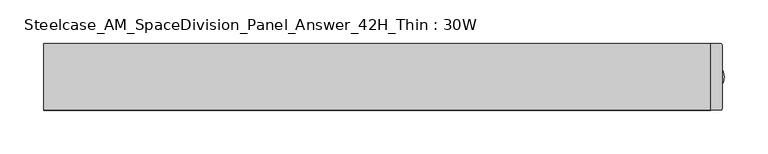
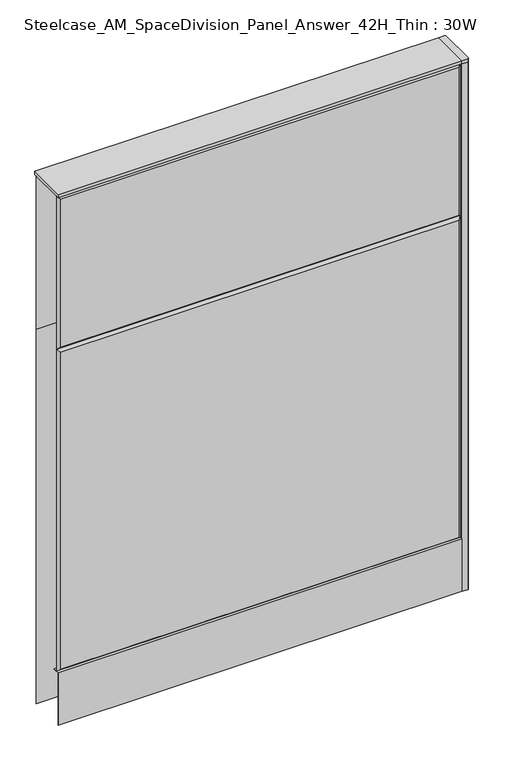
"""IFC4 building model written with IfcOpenShell, lengths in millimetres: furniture geometry, Steelcase_AM_SpaceDivision_Panel_Answer_42H_Thin : 30W."""

from ifc_helpers import new_model, si_unit, point, frame, frame_2d, origin, place, context, project, spatial, polyline, circle_curve, trimmed, segment, composite_curve, outline, extrude, faceted_brep, source, transform, mapped, element, save


def steelcase_am_spacedivision_panel_answer_42h_thin_30w_5a2b9232(model_context):
    return source(origin(), model_context, "Body", "SolidModel", [
        extrude(outline(polyline([(-37.3075215, 119.8575157), (-37.3075215, 15.494), (-38.1000194, 15.494), (-38.1000194, 120.65), (-25.4000011, 120.65), (-25.4000011, 119.8575157), (-37.3075215, 119.8575157)])), frame((-381.0, 0.0, 0.0), z_axis=(1.0, 0.0, 0.0), x_axis=(0.0, 1.0, 0.0)), (0.0, 0.0, 1.0), 762.0),
        extrude(outline(composite_curve([segment(trimmed(circle_curve(frame_2d((381.0, -1.94e-05)), 5.08), [point((386.08, -1.94e-05))], [point((375.92, -1.94e-05))], False, "CARTESIAN"), True, "CONTINUOUS"), segment(trimmed(circle_curve(frame_2d((381.0, -1.94e-05)), 5.08), [point((375.92, -1.94e-05))], [point((386.08, -1.94e-05))], False, "CARTESIAN"), True, "CONTINUOUS")], self_intersect=False)), frame((0.0, 0.0, 5.0799671), z_axis=(0.0, 0.0, 1.0), x_axis=(1.0, 0.0, 0.0)), (0.0, 0.0, 1.0), 10.414),
        extrude(outline(composite_curve([segment(trimmed(circle_curve(frame_2d((381.0, -1.94e-05)), 15.24), [point((396.24, -1.94e-05))], [point((365.76, -1.94e-05))], False, "CARTESIAN"), True, "CONTINUOUS"), segment(trimmed(circle_curve(frame_2d((381.0, -1.94e-05)), 15.24), [point((365.76, -1.94e-05))], [point((396.24, -1.94e-05))], False, "CARTESIAN"), True, "CONTINUOUS")], self_intersect=False)), frame((0.0, 0.0, -3.29e-05), z_axis=(0.0, 0.0, 1.0), x_axis=(1.0, 0.0, 0.0)), (0.0, 0.0, 1.0), 5.08),
        extrude(outline(composite_curve([segment(polyline([(393.7, 36.322), (393.7, -36.322)]), True, "CONTINUOUS"), segment(trimmed(circle_curve(frame_2d((391.922, -36.322)), 1.778), [point((393.7, -36.322))], [point((391.922, -38.1))], False, "CARTESIAN"), True, "CONTINUOUS"), segment(polyline([(391.922, -38.1), (381.0, -38.1), (381.0, 38.1), (391.922, 38.1)]), True, "CONTINUOUS"), segment(trimmed(circle_curve(frame_2d((391.922, 36.322)), 1.778), [point((391.922, 38.1))], [point((393.7, 36.322))], False, "CARTESIAN"), True, "CONTINUOUS")], self_intersect=False)), frame((0.0, 0.0, 1066.7999671), z_axis=(0.0, 0.0, 1.0), x_axis=(1.0, 0.0, 0.0)), (0.0, 0.0, 1.0), 6.35),
        extrude(outline(composite_curve([segment(polyline([(393.7, 36.322), (393.7, -36.322)]), True, "CONTINUOUS"), segment(trimmed(circle_curve(frame_2d((391.922, -36.322)), 1.778), [point((393.7, -36.322))], [point((391.922, -38.1))], False, "CARTESIAN"), True, "CONTINUOUS"), segment(polyline([(391.922, -38.1), (381.0, -38.1), (381.0, 38.1), (391.922, 38.1)]), True, "CONTINUOUS"), segment(trimmed(circle_curve(frame_2d((391.922, 36.322)), 1.778), [point((391.922, 38.1))], [point((393.7, 36.322))], False, "CARTESIAN"), True, "CONTINUOUS")], self_intersect=False)), frame((0.0, 0.0, 15.4939671), z_axis=(0.0, 0.0, 1.0), x_axis=(1.0, 0.0, 0.0)), (0.0, 0.0, 1.0), 1051.306),
        faceted_brep([(-376.174, 38.0960541, 1061.974), (376.174, 38.0960541, 1061.974), (376.174, 38.0960541, 766.826), (-376.174, 38.0960541, 766.826), (-381.0, 33.2700541, 1066.8), (-381.0, 33.2700541, 762.0), (381.0, 33.2700541, 762.0), (381.0, 33.2700541, 1066.8)], [[[0, 1, 2, 3]], [[4, 5, 6, 7]], [[4, 7, 1, 0]], [[7, 6, 2, 1]], [[6, 5, 3, 2]], [[5, 4, 0, 3]]]),
        faceted_brep([(-376.174, 38.0960541, 757.174), (376.174, 38.0960541, 757.174), (376.174, 38.0960541, 20.32), (-376.174, 38.0960541, 20.32), (-381.0, 33.2700541, 762.0), (-381.0, 33.2700541, 15.494), (381.0, 33.2700541, 15.494), (381.0, 33.2700541, 762.0)], [[[0, 1, 2, 3]], [[4, 5, 6, 7]], [[4, 7, 1, 0]], [[7, 6, 2, 1]], [[6, 5, 3, 2]], [[5, 4, 0, 3]]]),
        faceted_brep([(376.174, -38.0960541, 1061.974), (-376.174, -38.0960541, 1061.974), (-376.174, -38.0960541, 766.826), (376.174, -38.0960541, 766.826), (381.0, -33.2700541, 1066.8), (381.0, -33.2700541, 762.0), (-381.0, -33.2700541, 762.0), (-381.0, -33.2700541, 1066.8)], [[[0, 1, 2, 3]], [[4, 5, 6, 7]], [[4, 7, 1, 0]], [[7, 6, 2, 1]], [[6, 5, 3, 2]], [[5, 4, 0, 3]]]),
        faceted_brep([(376.174, -38.0960541, 757.174), (-376.174, -38.0960541, 757.174), (-376.174, -38.0960541, 125.476), (376.174, -38.0960541, 125.476), (381.0, -33.2700541, 762.0), (381.0, -33.2700541, 120.65), (-381.0, -33.2700541, 120.65), (-381.0, -33.2700541, 762.0)], [[[0, 1, 2, 3]], [[4, 5, 6, 7]], [[4, 7, 1, 0]], [[7, 6, 2, 1]], [[6, 5, 3, 2]], [[5, 4, 0, 3]]]),
        extrude(outline(polyline([(381.0, 38.1000194), (381.0, -38.1000194), (-381.0, -38.1000194), (-381.0, 38.1000194), (381.0, 38.1000194)])), frame((0.0, 0.0, 1066.8), z_axis=(0.0, 0.0, 1.0), x_axis=(1.0, 0.0, 0.0)), (0.0, 0.0, 1.0), 6.35),
    ])


if __name__ == "__main__":
    model = new_model("IFC4")
    model_context = context("Model", 3, world=origin())
    ifc_project = project(units=[si_unit("LENGTHUNIT", "METRE", prefix="MILLI")], contexts=[model_context])
    site = spatial("IfcSite", under=ifc_project)
    building = spatial("IfcBuilding", under=site)
    placement = place(None, origin())
    steelcase_am_spacedivision_panel_answer_42h_thin_30w_shape = steelcase_am_spacedivision_panel_answer_42h_thin_30w_5a2b9232(model_context)
    element("IfcFurniture", 1, ObjectType="Steelcase_AM_SpaceDivision_Panel_Answer_42H_Thin : 30W", at=placement, inside=building, context=model_context, shape_type="MappedRepresentation", body=[
        mapped(steelcase_am_spacedivision_panel_answer_42h_thin_30w_shape, transform((0.0, 0.0, 0.0), x_axis=(1.0, 0.0, 0.0), y_axis=(0.0, 1.0, 0.0), z_axis=(0.0, 0.0, 1.0))),
    ])
    save(model, "model.ifc")
